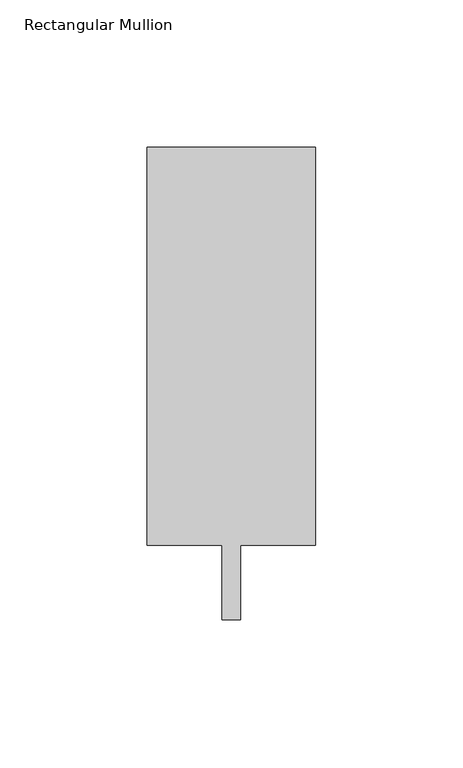
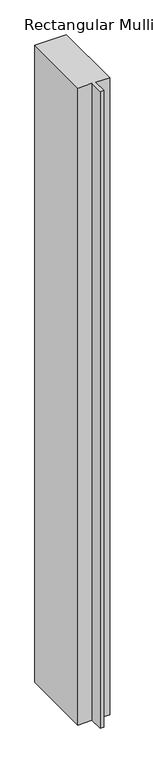
"""IFC4 building model written with IfcOpenShell, lengths in millimetres: member geometry, Rectangular Mullion."""

from ifc_helpers import new_model, si_unit, frame, origin, place, context, project, spatial, polyline, outline, extrude, source, transform, mapped, element, save


def rectangular_mullion_5ec1ab64(model_context):
    return source(origin(), model_context, "Body", "SweptSolid", [
        extrude(outline(polyline([(28.575, 147.6375), (28.575, 12.7), (3.175, 12.7), (3.175, -12.7), (-3.175, -12.7), (-3.175, 12.7), (-28.575, 12.7), (-28.575, 147.6375), (28.575, 147.6375)])), frame((0.0, 0.0, -1219.2), z_axis=(0.0, 0.0, 1.0), x_axis=(1.0, 0.0, 0.0)), (0.0, 0.0, 1.0), 1219.2),
    ])


if __name__ == "__main__":
    model = new_model("IFC4")
    model_context = context("Model", 3, world=origin())
    ifc_project = project(units=[si_unit("LENGTHUNIT", "METRE", prefix="MILLI")], contexts=[model_context])
    site = spatial("IfcSite", under=ifc_project)
    building = spatial("IfcBuilding", under=site)
    placement = place(None, origin())
    rectangular_mullion_shape = rectangular_mullion_5ec1ab64(model_context)
    element("IfcMember", 1, ObjectType="Rectangular Mullion", at=placement, inside=building, context=model_context, shape_type="MappedRepresentation", body=[
        mapped(rectangular_mullion_shape, transform((0.0, 0.0, 0.0), x_axis=(1.0, 0.0, 0.0), y_axis=(0.0, 1.0, 0.0), z_axis=(0.0, 0.0, 1.0))),
    ])
    save(model, "model.ifc")
